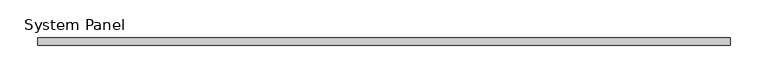
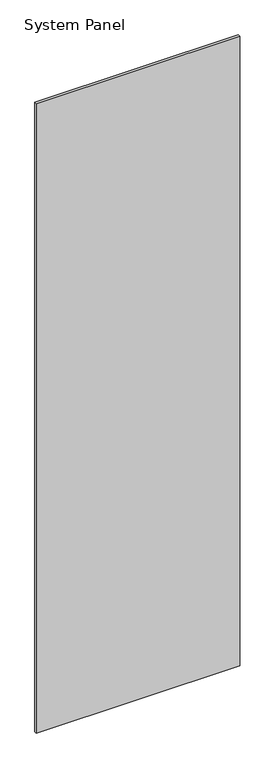
"""IFC4 building model written with IfcOpenShell, lengths in millimetres: plate geometry, System Panel."""

from ifc_helpers import new_model, si_unit, origin, origin_with_axes, place, context, project, spatial, polyline, outline, extrude, source, transform, mapped, element, save


def system_panel_bdd9d0af(model_context):
    return source(origin(), model_context, "Body", "SweptSolid", [
        extrude(outline(polyline([(457.2, -5.0), (-457.2, -5.0), (-457.2, 5.0), (457.2, 5.0), (457.2, -5.0)])), origin_with_axes(), (0.0, 0.0, 1.0), 2991.6097048),
    ])


if __name__ == "__main__":
    model = new_model("IFC4")
    model_context = context("Model", 3, world=origin())
    ifc_project = project(units=[si_unit("LENGTHUNIT", "METRE", prefix="MILLI")], contexts=[model_context])
    site = spatial("IfcSite", under=ifc_project)
    building = spatial("IfcBuilding", under=site)
    placement = place(None, origin())
    system_panel_shape = system_panel_bdd9d0af(model_context)
    element("IfcPlate", 1, ObjectType="System Panel", at=placement, inside=building, context=model_context, shape_type="MappedRepresentation", body=[
        mapped(system_panel_shape, transform((0.0, 0.0, 0.0), x_axis=(1.0, 0.0, 0.0), y_axis=(0.0, 1.0, 0.0), z_axis=(0.0, 0.0, 1.0))),
    ])
    save(model, "model.ifc")
